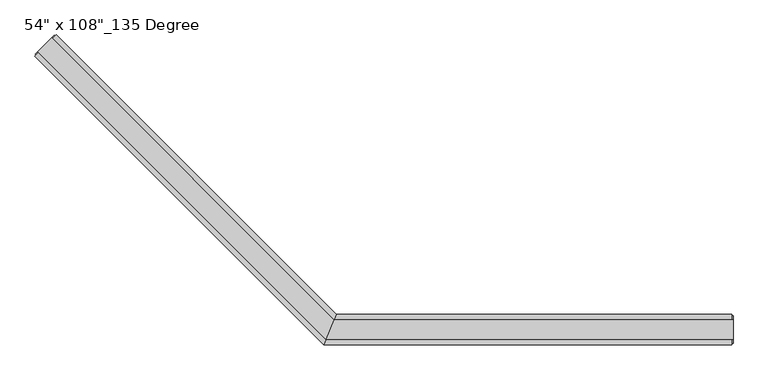
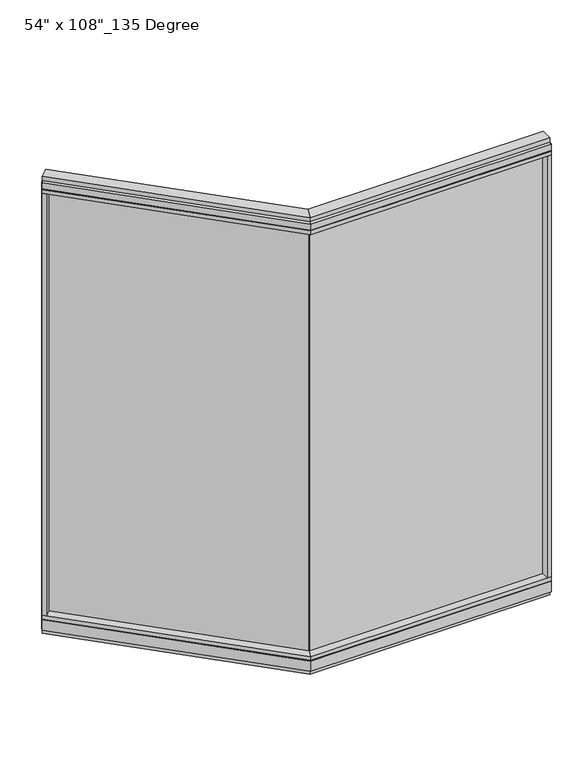
"""IFC4 building model written with IfcOpenShell, lengths in millimetres: furniture geometry."""

from ifc_helpers import new_model, si_unit, frame, origin, origin_with_axes, place, context, project, spatial, polyline, outline, extrude, faceted_brep, source, transform, mapped, element, save


def furniture_4e41f92b(model_context):
    return source(origin(), model_context, "Body", "SolidModel", [
        extrude(outline(polyline([(-1664.8759344, 928.3795339), (-1657.6917295, 935.5637388), (-719.7937802, -2.3342105), (-726.9779851, -9.5184154), (-1664.8759344, 928.3795339)])), frame((0.0, 0.0, 120.523), z_axis=(0.0, 0.0, 1.0), x_axis=(1.0, 0.0, 0.0)), (0.0, 0.0, 1.0), 2533.777),
        extrude(outline(polyline([(-1641.0782556, 983.608109), (-703.752425, 46.2822784), (-745.8365229, -55.3177216), (-1712.9203046, 911.76606), (-1641.0782556, 983.608109)])), frame((0.0, 0.0, 2654.3), z_axis=(0.0, 0.0, 1.0), x_axis=(1.0, 0.0, 0.0)), (0.0, 0.0, 1.0), 22.225),
        faceted_brep([(-703.752425, 46.2822784, 2681.478), (-703.752425, 46.2822784, 2717.8), (-745.8365229, -55.3177216, 2717.8), (-745.8365229, -55.3177216, 2681.478), (-743.7849232, -50.3647216, 2681.478), (-743.7849232, -50.3647216, 2676.525), (-705.8040248, 41.3292784, 2676.525), (-705.8040248, 41.3292784, 2681.478), (-1641.0782556, 983.608109, 2681.478), (-1644.5805555, 980.1058091, 2681.478), (-1644.5805555, 980.1058091, 2676.525), (-1709.4180047, 915.2683599, 2676.525), (-1709.4180047, 915.2683599, 2681.478), (-1712.9203046, 911.76606, 2681.478), (-1712.9203046, 911.76606, 2717.8), (-1641.0782556, 983.608109, 2717.8)], [[[0, 1, 2, 3, 4, 5, 6, 7]], [[8, 9, 10, 11, 12, 13, 14, 15]], [[8, 0, 7, 9]], [[13, 3, 2, 14]], [[14, 2, 1, 15]], [[15, 1, 0, 8]], [[9, 7, 6, 10]], [[10, 6, 5, 11]], [[11, 5, 4, 12]], [[12, 4, 3, 13]]]),
        extrude(outline(polyline([(-1656.7937039, 973.4604196), (-711.3275626, 27.9942784), (-738.2613853, -37.0297216), (-1702.7726152, 927.4815083), (-1656.7937039, 973.4604196)])), frame((0.0, 0.0, 2717.8), z_axis=(0.0, 0.0, 1.0), x_axis=(1.0, 0.0, 0.0)), (0.0, 0.0, 1.0), 25.4),
        faceted_brep([(-705.8040248, 41.3292784, 93.345), (-705.8040248, 41.3292784, 98.298), (-743.7849232, -50.3647216, 98.298), (-743.7849232, -50.3647216, 93.345), (-745.8365229, -55.3177216, 93.345), (-745.8365229, -55.3177216, 31.75), (-703.752425, 46.2822784, 31.75), (-703.752425, 46.2822784, 93.345), (-1641.0782556, 983.608109, 93.345), (-1641.0782556, 983.608109, 31.75), (-1712.9203046, 911.76606, 31.75), (-1712.9203046, 911.76606, 93.345), (-1709.4180047, 915.2683599, 93.345), (-1709.4180047, 915.2683599, 98.298), (-1644.5805555, 980.1058091, 98.298), (-1644.5805555, 980.1058091, 93.345)], [[[0, 1, 2, 3, 4, 5, 6, 7]], [[8, 9, 10, 11, 12, 13, 14, 15]], [[15, 0, 7, 8]], [[10, 5, 4, 11]], [[9, 6, 5, 10]], [[8, 7, 6, 9]], [[14, 1, 0, 15]], [[13, 2, 1, 14]], [[12, 3, 2, 13]], [[11, 4, 3, 12]]]),
        extrude(outline(polyline([(-1641.0782556, 983.608109), (-703.752425, 46.2822784), (-745.8365229, -55.3177216), (-1712.9203046, 911.76606), (-1641.0782556, 983.608109)])), frame((0.0, 0.0, 98.298), z_axis=(0.0, 0.0, 1.0), x_axis=(1.0, 0.0, 0.0)), (0.0, 0.0, 1.0), 22.225),
        extrude(outline(polyline([(-1656.7937039, 973.4604196), (-711.3275626, 27.9942784), (-738.2613853, -37.0297216), (-1702.7726152, 927.4815083), (-1656.7937039, 973.4604196)])), origin_with_axes(), (0.0, 0.0, 1.0), 31.75),
        extrude(outline(polyline([(-1697.2048564, 896.0506118), (-1712.9203046, 911.76606), (-1641.0782556, 983.608109), (-1625.3628074, 967.8926608), (-1697.2048564, 896.0506118)])), frame((0.0, 0.0, 120.523), z_axis=(0.0, 0.0, 1.0), x_axis=(1.0, 0.0, 0.0)), (0.0, 0.0, 1.0), 2533.777),
        extrude(outline(polyline([(-1712.2018841, 918.0522393), (-1647.3644349, 982.8896885), (-1644.5805555, 980.1058091), (-1709.4180047, 915.2683599), (-1712.2018841, 918.0522393)])), frame((0.0, 0.0, 31.75), z_axis=(0.0, 0.0, 1.0), x_axis=(1.0, 0.0, 0.0)), (0.0, 0.0, 1.0), 2686.05),
        extrude(outline(polyline([(599.6014771, -9.5977216), (-726.7865229, -9.5977216), (-726.7865229, 0.5622784), (599.6014771, 0.5622784), (599.6014771, -9.5977216)])), frame((0.0, 0.0, 120.523), z_axis=(0.0, 0.0, 1.0), x_axis=(1.0, 0.0, 0.0)), (0.0, 0.0, 1.0), 2533.777),
        extrude(outline(polyline([(621.8264771, 46.2822784), (621.8264771, -55.3177216), (-745.8365229, -55.3177216), (-703.752425, 46.2822784), (621.8264771, 46.2822784)])), frame((0.0, 0.0, 2654.3), z_axis=(0.0, 0.0, 1.0), x_axis=(1.0, 0.0, 0.0)), (0.0, 0.0, 1.0), 22.225),
        faceted_brep([(-703.752425, 46.2822784, 2681.478), (-705.8040248, 41.3292784, 2681.478), (-705.8040248, 41.3292784, 2676.525), (-743.7849232, -50.3647216, 2676.525), (-743.7849232, -50.3647216, 2681.478), (-745.8365229, -55.3177216, 2681.478), (-745.8365229, -55.3177216, 2717.8), (-703.752425, 46.2822784, 2717.8), (621.8264771, 46.2822784, 2681.478), (621.8264771, 46.2822784, 2717.8), (621.8264771, -55.3177216, 2717.8), (621.8264771, -55.3177216, 2681.478), (621.8264771, -50.3647216, 2681.478), (621.8264771, -50.3647216, 2676.525), (621.8264771, 41.3292784, 2676.525), (621.8264771, 41.3292784, 2681.478)], [[[0, 1, 2, 3, 4, 5, 6, 7]], [[8, 9, 10, 11, 12, 13, 14, 15]], [[8, 15, 1, 0]], [[11, 10, 6, 5]], [[10, 9, 7, 6]], [[9, 8, 0, 7]], [[15, 14, 2, 1]], [[14, 13, 3, 2]], [[13, 12, 4, 3]], [[12, 11, 5, 4]]]),
        extrude(outline(polyline([(625.7634771, 27.9942784), (625.7634771, -37.0297216), (-738.2613853, -37.0297216), (-711.3275626, 27.9942784), (625.7634771, 27.9942784)])), frame((0.0, 0.0, 2717.8), z_axis=(0.0, 0.0, 1.0), x_axis=(1.0, 0.0, 0.0)), (0.0, 0.0, 1.0), 25.4),
        faceted_brep([(-705.8040248, 41.3292784, 93.345), (-703.752425, 46.2822784, 93.345), (-703.752425, 46.2822784, 31.75), (-745.8365229, -55.3177216, 31.75), (-745.8365229, -55.3177216, 93.345), (-743.7849232, -50.3647216, 93.345), (-743.7849232, -50.3647216, 98.298), (-705.8040248, 41.3292784, 98.298), (621.8264771, 46.2822784, 93.345), (621.8264771, 41.3292784, 93.345), (621.8264771, 41.3292784, 98.298), (621.8264771, -50.3647216, 98.298), (621.8264771, -50.3647216, 93.345), (621.8264771, -55.3177216, 93.345), (621.8264771, -55.3177216, 31.75), (621.8264771, 46.2822784, 31.75)], [[[0, 1, 2, 3, 4, 5, 6, 7]], [[8, 9, 10, 11, 12, 13, 14, 15]], [[9, 8, 1, 0]], [[14, 13, 4, 3]], [[15, 14, 3, 2]], [[8, 15, 2, 1]], [[10, 9, 0, 7]], [[11, 10, 7, 6]], [[12, 11, 6, 5]], [[13, 12, 5, 4]]]),
        extrude(outline(polyline([(621.8264771, 46.2822784), (621.8264771, -55.3177216), (-745.8365229, -55.3177216), (-703.752425, 46.2822784), (621.8264771, 46.2822784)])), frame((0.0, 0.0, 98.298), z_axis=(0.0, 0.0, 1.0), x_axis=(1.0, 0.0, 0.0)), (0.0, 0.0, 1.0), 22.225),
        extrude(outline(polyline([(625.7634771, 27.9942784), (625.7634771, -37.0297216), (-738.2613853, -37.0297216), (-711.3275626, 27.9942784), (625.7634771, 27.9942784)])), origin_with_axes(), (0.0, 0.0, 1.0), 31.75),
        extrude(outline(polyline([(599.6014771, -55.3177216), (599.6014771, 46.2822784), (621.8264771, 46.2822784), (621.8264771, -55.3177216), (599.6014771, -55.3177216)])), frame((0.0, 0.0, 120.523), z_axis=(0.0, 0.0, 1.0), x_axis=(1.0, 0.0, 0.0)), (0.0, 0.0, 1.0), 2533.777),
        extrude(outline(polyline([(625.7634771, -50.3647216), (621.8264771, -50.3647216), (621.8264771, 41.3292784), (625.7634771, 41.3292784), (625.7634771, -50.3647216)])), frame((0.0, 0.0, 31.75), z_axis=(0.0, 0.0, 1.0), x_axis=(1.0, 0.0, 0.0)), (0.0, 0.0, 1.0), 2686.05),
    ])


if __name__ == "__main__":
    model = new_model("IFC4")
    model_context = context("Model", 3, world=origin())
    ifc_project = project(units=[si_unit("LENGTHUNIT", "METRE", prefix="MILLI")], contexts=[model_context])
    site = spatial("IfcSite", under=ifc_project)
    building = spatial("IfcBuilding", under=site)
    placement = place(None, origin())
    furniture_shape = furniture_4e41f92b(model_context)
    element("IfcFurniture", 1, ObjectType="54\" x 108\"_135 Degree", at=placement, inside=building, context=model_context, shape_type="MappedRepresentation", body=[
        mapped(furniture_shape, transform((0.0, 0.0, 0.0), x_axis=(1.0, 0.0, 0.0), y_axis=(0.0, 1.0, 0.0), z_axis=(0.0, 0.0, 1.0))),
    ])
    save(model, "model.ifc")
